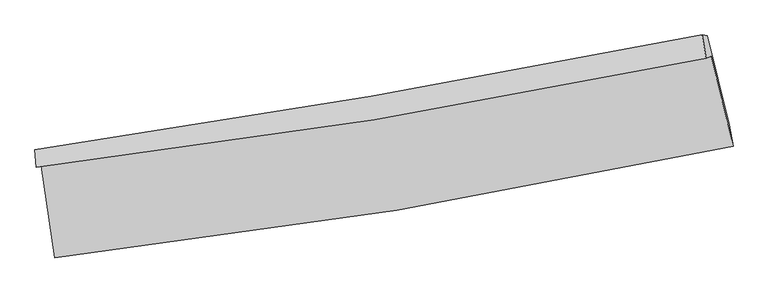
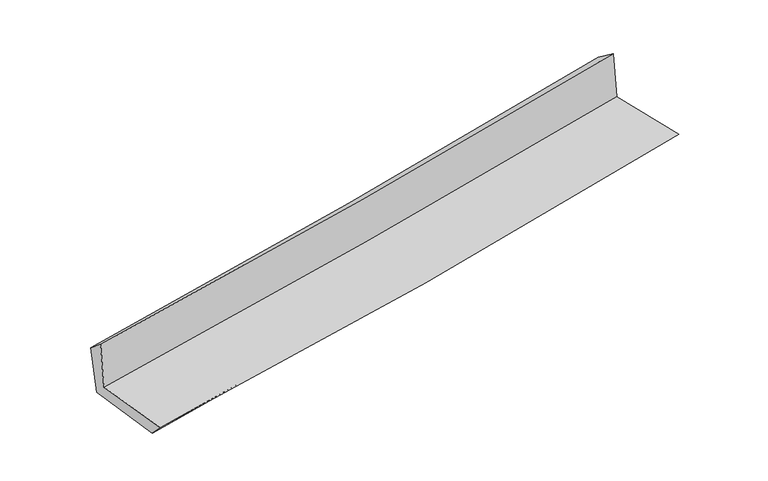
"""IFC4 building model written with IfcOpenShell, lengths in millimetres: proxy geometry."""

from ifc_helpers import new_model, si_unit, frame, origin, place, context, project, spatial, source, transform, mapped, element, save
from ifc_brep_helpers import plane_surface, spline_curve, spline_surface, advanced_brep


def generic_models_c011fbed(model_context):
    return source(origin(), model_context, "Body", "AdvancedBrep", [
        advanced_brep(
        [(-2427.7812456, -1873.7142706, 1654.6546448), (-2329.7155363, -2530.965295, 1656.0952659), (2512.7471239, -1735.6258084, 2104.1533736), (2356.2900656, -1094.3876697, 2105.9673261), (-2463.7131868, -1886.0284132, 2057.5750259), (2320.5165752, -1106.7419207, 2509.6200226), (-2472.9517827, -1761.6220098, 1957.8457412), (2291.6897336, -940.635987, 2388.303483), (-2432.6586726, -1777.5089797, 1553.3508501), (2329.8494277, -945.7432358, 2004.1079625), (-2335.486948, -2423.3142969, 1546.0855886), (2484.8387192, -1580.9657432, 2002.3110272)],
        [
            (0, 1),
            (1, 2, spline_curve(3, [(-2329.7155363, -2530.965295, 1656.0952659), (-1513.488914761, -2437.989620604, 1739.540049067), (-699.598602853, -2324.741238107, 1818.785634135), (914.504055411, -2059.18066312, 1968.045661652), (1714.767963657, -1907.315883487, 2038.152779111), (2512.7471239, -1735.6258084, 2104.1533736)], [4, 2, 4], [0.0, 8.082247506366727, 16.074810980125264])),
            (2, 3),
            (3, 0, spline_curve(3, [(2356.2900656, -1094.3876697, 2105.9673261), (1567.898421105, -1257.880179254, 2045.773769631), (777.266817375, -1404.303749517, 1978.318173953), (-817.373068989, -1664.464491146, 1828.044501541), (-1621.431902099, -1777.816454499, 1745.062536898), (-2427.7812456, -1873.7142706, 1654.6546448)], [4, 2, 4], [0.0, 7.992563473758537, 16.074810980125264])),
            (4, 0),
            (3, 5),
            (5, 4, spline_curve(3, [(2320.5165752, -1106.7419207, 2509.6200226), (1532.083630517, -1270.27527194, 2449.487231953), (741.418204134, -1416.716071826, 2382.001841156), (-853.274667562, -1676.86397702, 2231.48610764), (-1657.352495355, -1790.185341327, 2148.289832723), (-2463.7131868, -1886.0284132, 2057.5750259)], [4, 2, 4], [0.0, 7.94386906321744, 15.976875762243449])),
            (6, 4),
            (5, 7),
            (7, 6, spline_curve(3, [(2291.6897336, -940.635987, 2388.303483), (1506.089083541, -1095.547270537, 2315.589629032), (718.4618956, -1241.089278653, 2243.557531315), (-869.706208872, -1514.962730089, 2100.05623177), (-1670.292859581, -1643.0827293, 2028.602415307), (-2472.9517827, -1761.6220098, 1957.8457412)], [4, 2, 4], [0.0, 7.931108223802161, 15.951210894867442])),
            (8, 6),
            (7, 9),
            (9, 8, spline_curve(3, [(2329.8494277, -945.7432358, 2004.1079625), (1545.077647696, -1105.959729278, 1931.422458062), (758.043013316, -1255.057456032, 1857.731823054), (-829.408619071, -1532.563629869, 1707.502136042), (-1629.876684915, -1660.721150866, 1630.940399987), (-2432.6586726, -1777.5089797, 1553.3508501)], [4, 2, 4], [0.0, 7.920084960099185, 15.929040676139596])),
            (10, 8),
            (9, 11),
            (11, 10, spline_curve(3, [(2484.8387192, -1580.9657432, 2002.3110272), (1688.318259531, -1736.792627058, 1921.827243659), (890.611993225, -1884.555391587, 1843.765091797), (-716.136468386, -2165.520231988, 1691.63529467), (-1525.205424393, -2298.540318563, 1617.622300313), (-2335.486948, -2423.3142969, 1546.0855886)], [4, 2, 4], [0.0, 7.969456376053037, 16.02833750148043])),
            (1, 10),
            (11, 2),
        ],
        [
            spline_surface(3, 3, [[(-2427.7812456, -1873.7142706, 1654.6546448), (-1621.431902171, -1777.816454577, 1745.062536952), (-817.37306889, -1664.464491165, 1828.044501584), (777.266817277, -1404.303749498, 1978.318173911), (1567.898421051, -1257.880179253, 2045.773769725), (2356.2900656, -1094.3876697, 2105.9673261)], [(-2395.09267584, -2092.797945428, 1655.134851809), (-1585.45090637, -1997.87417664, 1743.221707648), (-778.11491355, -1884.556740177, 1824.958212445), (823.012563349, -1622.59605403, 1974.894003155), (1616.854935243, -1474.358747299, 2043.233439521), (2408.442418338, -1308.13371592, 2105.36267526)], [(-2362.40410606, -2311.881620172, 1655.615058891), (-1549.46991055, -2217.931898619, 1741.380878418), (-738.856758243, -2104.648989156, 1821.871923296), (868.758309388, -1840.888358528, 1971.469832388), (1665.811449521, -1690.837315386, 2040.693109337), (2460.594771162, -1521.87976218, 2104.75802444)], [(-2329.7155363, -2530.965295, 1656.0952659), (-1513.48891475, -2437.989620681, 1739.540049114), (-699.598602903, -2324.741238168, 1818.785634157), (914.50405546, -2059.18066306, 1968.045661631), (1714.767963713, -1907.315883432, 2038.152779133), (2512.7471239, -1735.6258084, 2104.1533736)]], [4, 4], [4, 2, 4], [0.0, 2.197849025171778], [0.0, 8.082247506366727, 16.074810980125264]),
            spline_surface(3, 3, [[(-2463.7131868, -1886.0284132, 2057.5750259), (-1657.352495231, -1790.185341268, 2148.28983266), (-853.274667633, -1676.863976966, 2231.486107535), (741.418204203, -1416.71607188, 2382.001841259), (1532.083630624, -1270.275272016, 2449.487231934), (2320.5165752, -1106.7419207, 2509.6200226)], [(-2451.735873054, -1881.923698999, 1923.26823222), (-1645.378964198, -1786.062379037, 2013.880734111), (-841.307468063, -1672.730815036, 2097.005572227), (753.367741883, -1412.57863109, 2247.440618818), (1544.021894129, -1266.14357444, 2314.91607787), (2332.441072029, -1102.623837045, 2375.069123772)], [(-2439.758559346, -1877.818984801, 1788.96143848), (-1633.405433204, -1781.939416809, 1879.471635501), (-829.34026846, -1668.597653095, 1962.525036893), (765.317279597, -1408.441190288, 2112.879396352), (1555.960157547, -1262.01187683, 2180.34492379), (2344.365568771, -1098.505753355, 2240.518224928)], [(-2427.7812456, -1873.7142706, 1654.6546448), (-1621.431902171, -1777.816454577, 1745.062536952), (-817.37306889, -1664.464491165, 1828.044501584), (777.266817277, -1404.303749498, 1978.318173911), (1567.898421051, -1257.880179253, 2045.773769725), (2356.2900656, -1094.3876697, 2105.9673261)]], [4, 4], [4, 2, 4], [0.0, 1.3298642962003093], [0.0, 8.033006699026009, 15.976875762243449]),
            spline_surface(3, 3, [[(-2472.9517827, -1761.6220098, 1957.8457412), (-1670.292859642, -1643.082729417, 2028.602415341), (-869.706208783, -1514.962730043, 2100.056231702), (718.461895513, -1241.089278698, 2243.557531382), (1506.08908345, -1095.5472705, 2315.58962892), (2291.6897336, -940.635987, 2388.303483)], [(-2469.872250753, -1803.09081091, 1991.088836104), (-1665.979404858, -1692.116933344, 2068.498221118), (-864.229028389, -1568.929812324, 2143.86619031), (726.11399842, -1299.631543066, 2289.705634672), (1514.753932493, -1153.789937662, 2360.222163253), (2301.298680785, -996.004631556, 2428.742329529)], [(-2466.792718747, -1844.55961209, 2024.331930996), (-1661.665950014, -1741.151137342, 2108.394026883), (-858.751848026, -1622.896894684, 2187.676148927), (733.766101296, -1358.173807512, 2335.85373797), (1523.418781581, -1212.032604855, 2404.854697601), (2310.907628015, -1051.373276144, 2469.181176071)], [(-2463.7131868, -1886.0284132, 2057.5750259), (-1657.352495231, -1790.185341268, 2148.28983266), (-853.274667633, -1676.863976966, 2231.486107535), (741.418204203, -1416.71607188, 2382.001841259), (1532.083630624, -1270.275272016, 2449.487231934), (2320.5165752, -1106.7419207, 2509.6200226)]], [4, 4], [4, 2, 4], [0.0, 0.7115632659378434], [0.0, 8.020102671065281, 15.951210894867442]),
            spline_surface(3, 3, [[(-2432.6586726, -1777.5089797, 1553.3508501), (-1629.876684977, -1660.721150958, 1630.940400041), (-829.408619131, -1532.563629858, 1707.502135934), (758.043013375, -1255.057456043, 1857.731823161), (1545.077647632, -1105.959729151, 1931.422458088), (2329.8494277, -945.7432358, 2004.1079625)], [(-2446.089709276, -1772.213323082, 1688.182480451), (-1643.348743175, -1654.841677126, 1763.494405125), (-842.841148997, -1526.696663255, 1838.353501191), (744.849307438, -1250.401396931, 1986.340392568), (1532.081459582, -1102.488909589, 2059.47818171), (2317.129529677, -944.040819522, 2132.173136012)], [(-2459.520746024, -1766.917666418, 1823.014110849), (-1656.820801444, -1648.962203249, 1896.048410256), (-856.273678916, -1520.829696646, 1969.204866445), (731.655601449, -1245.745337811, 2114.948961975), (1519.0852715, -1099.018090062, 2187.533905297), (2304.409631623, -942.338403278, 2260.238309488)], [(-2472.9517827, -1761.6220098, 1957.8457412), (-1670.292859642, -1643.082729417, 2028.602415341), (-869.706208783, -1514.962730043, 2100.056231702), (718.461895513, -1241.089278698, 2243.557531382), (1506.08908345, -1095.5472705, 2315.58962892), (2291.6897336, -940.635987, 2388.303483)]], [4, 4], [4, 2, 4], [0.0, 1.2847468289249775], [0.0, 8.008955716040411, 15.929040676139596]),
            spline_surface(3, 3, [[(-2335.486948, -2423.3142969, 1546.0855886), (-1525.205424381, -2298.540318667, 1617.622300301), (-716.136468271, -2165.520232024, 1691.635294709), (890.611993111, -1884.555391552, 1843.765091759), (1688.318259399, -1736.792626929, 1921.827243557), (2484.8387192, -1580.9657432, 2002.3110272)], [(-2367.877522876, -2208.045857843, 1548.507342451), (-1560.095844589, -2085.93392944, 1622.061666899), (-753.893851902, -1954.534697973, 1696.924241776), (846.422333189, -1674.722746386, 1848.420668885), (1640.571388798, -1526.514994342, 1925.025648412), (2433.175622021, -1369.224907406, 2002.910005644)], [(-2400.268097724, -1992.777418757, 1550.929096249), (-1594.986264769, -1873.327540185, 1626.501033443), (-791.6512355, -1743.549163909, 1702.213188868), (802.232673298, -1464.890101209, 1853.076246035), (1592.824518233, -1316.237361738, 1928.224053233), (2381.512524879, -1157.484071594, 2003.508984056)], [(-2432.6586726, -1777.5089797, 1553.3508501), (-1629.876684977, -1660.721150958, 1630.940400041), (-829.408619131, -1532.563629858, 1707.502135934), (758.043013375, -1255.057456043, 1857.731823161), (1545.077647632, -1105.959729151, 1931.422458088), (2329.8494277, -945.7432358, 2004.1079625)]], [4, 4], [4, 2, 4], [0.0, 2.1104203573687466], [0.0, 8.058881125427392, 16.02833750148043]),
            spline_surface(3, 3, [[(-2329.7155363, -2530.965295, 1656.0952659), (-1513.48891475, -2437.989620681, 1739.540049114), (-699.598602903, -2324.741238168, 1818.785634157), (914.50405546, -2059.18066306, 1968.045661631), (1714.767963713, -1907.315883432, 2038.152779133), (2512.7471239, -1735.6258084, 2104.1533736)], [(-2331.639340201, -2495.081628939, 1619.425373465), (-1517.394417961, -2391.506519983, 1698.900799508), (-705.111224709, -2271.667569458, 1776.402187673), (906.540034661, -2000.972239229, 1926.618805006), (1705.951395625, -1850.47479795, 1999.377600591), (2503.44432235, -1684.072453352, 2070.205924783)], [(-2333.563144099, -2459.197962961, 1582.755481035), (-1521.299921169, -2345.023419366, 1658.261549908), (-710.623846465, -2218.593900734, 1734.018741193), (898.576013911, -1942.763815383, 1885.191948384), (1697.134827487, -1793.633712411, 1960.602422099), (2494.14152075, -1632.519098248, 2036.258476017)], [(-2335.486948, -2423.3142969, 1546.0855886), (-1525.205424381, -2298.540318667, 1617.622300301), (-716.136468271, -2165.520232024, 1691.635294709), (890.611993111, -1884.555391552, 1843.765091759), (1688.318259399, -1736.792626929, 1921.827243557), (2484.8387192, -1580.9657432, 2002.3110272)]], [4, 4], [4, 2, 4], [0.0, 0.6885818546587017], [0.0, 8.119167969192855, 16.148242220725262]),
            plane_surface(frame((2382.6552742, -1234.0167275, 2185.7438658), z_axis=(0.9673552124973523, 0.23576412566757776, 0.09294713498761083), x_axis=(-0.09882865680187644, 0.013227111867676401, 0.9950165526795909))),
            plane_surface(frame((-2410.384562, -2042.1922109, 1737.6011861), z_axis=(-0.9847978719501919, -0.14713997592191425, -0.09231998097959049), x_axis=(-0.14757190712505666, 0.989048953541516, -0.0021678851228340255))),
        ],
        [
            (0, [[1, 2, 3, 4]]),
            (1, [[5, -4, 6, 7]]),
            (2, [[8, -7, 9, 10]]),
            (3, [[11, -10, 12, 13]]),
            (4, [[14, -13, 15, 16]]),
            (5, [[17, -16, 18, -2]]),
            (6, [[-12, -9, -6, -3, -18, -15]]),
            (7, [[-1, -5, -8, -11, -14, -17]]),
        ],
    ),
    ])


if __name__ == "__main__":
    model = new_model("IFC4")
    model_context = context("Model", 3, world=origin())
    ifc_project = project(units=[si_unit("LENGTHUNIT", "METRE", prefix="MILLI")], contexts=[model_context])
    site = spatial("IfcSite", under=ifc_project)
    building = spatial("IfcBuilding", under=site)
    placement = place(None, origin())
    generic_models_shape = generic_models_c011fbed(model_context)
    element("IfcBuildingElementProxy", 1, Name="Generic Models", at=placement, inside=building, context=model_context, shape_type="MappedRepresentation", body=[
        mapped(generic_models_shape, transform((0.0, 0.0, 0.0), x_axis=(1.0, 0.0, 0.0), y_axis=(0.0, 1.0, 0.0), z_axis=(0.0, 0.0, 1.0))),
    ])
    save(model, "model.ifc")
